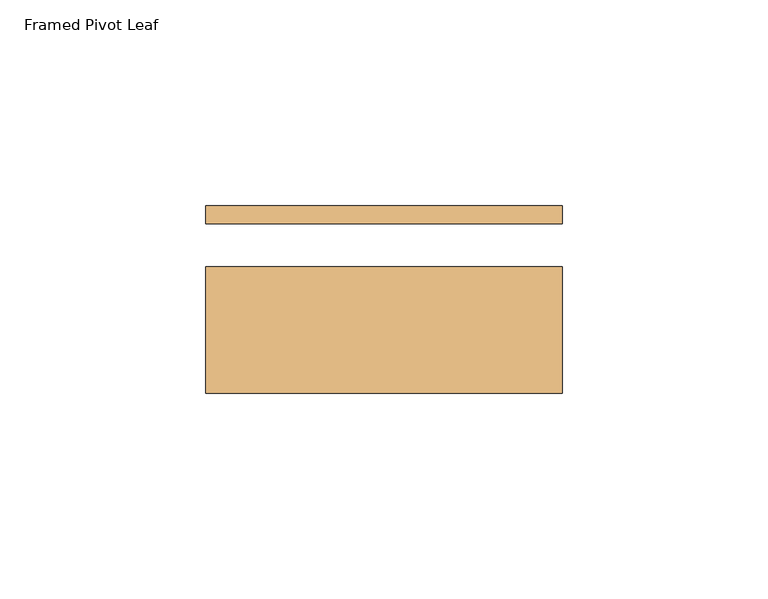
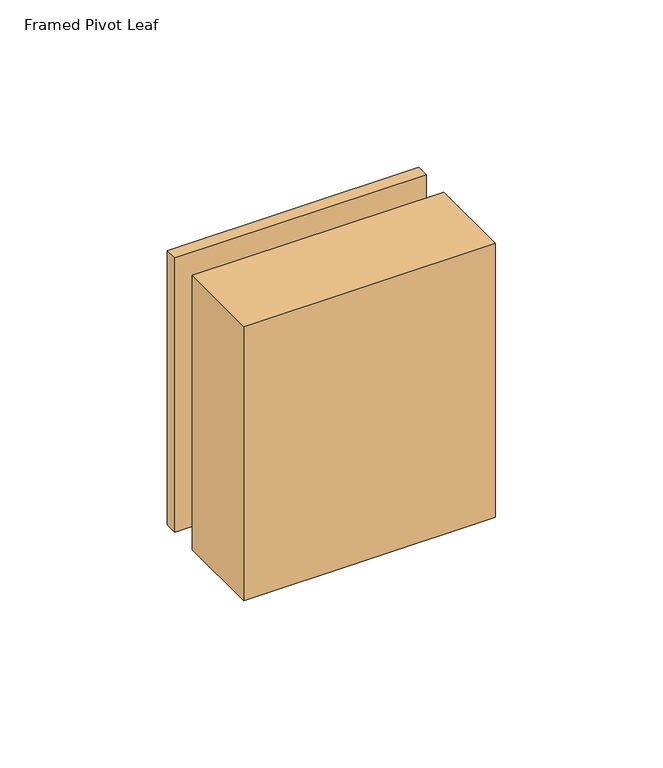
"""IFC4 building model written with IfcOpenShell, lengths in millimetres: door geometry, Framed Pivot Leaf."""

from ifc_helpers import new_model, si_unit, origin, origin_with_axes, place, context, project, spatial, polyline, outline, extrude, source, transform, mapped, element, save


def framed_pivot_leaf_662be344(model_context):
    return source(origin(), model_context, "Body", "SweptSolid", [
        extrude(outline(polyline([(-65.0110577, -21.9583), (-65.0110577, 8.8163), (21.8389423, 8.8163), (21.8389423, -21.9583), (-65.0110577, -21.9583)])), origin_with_axes(), (0.0, 0.0, 1.0), 99.9999),
        extrude(outline(polyline([(21.8389423, 19.3194), (-65.0110577, 19.3194), (-65.0110577, 23.7363), (21.8389423, 23.7363), (21.8389423, 19.3194)])), origin_with_axes(), (0.0, 0.0, 1.0), 99.9999),
    ])


if __name__ == "__main__":
    model = new_model("IFC4")
    model_context = context("Model", 3, world=origin())
    ifc_project = project(units=[si_unit("LENGTHUNIT", "METRE", prefix="MILLI")], contexts=[model_context])
    site = spatial("IfcSite", under=ifc_project)
    building = spatial("IfcBuilding", under=site)
    placement = place(None, origin())
    framed_pivot_leaf_shape = framed_pivot_leaf_662be344(model_context)
    element("IfcDoor", 1, ObjectType="Framed Pivot Leaf", at=placement, inside=building, context=model_context, shape_type="MappedRepresentation", body=[
        mapped(framed_pivot_leaf_shape, transform((0.0, 0.0, 0.0), x_axis=(1.0, 0.0, 0.0), y_axis=(0.0, 1.0, 0.0), z_axis=(0.0, 0.0, 1.0))),
    ])
    save(model, "model.ifc")
